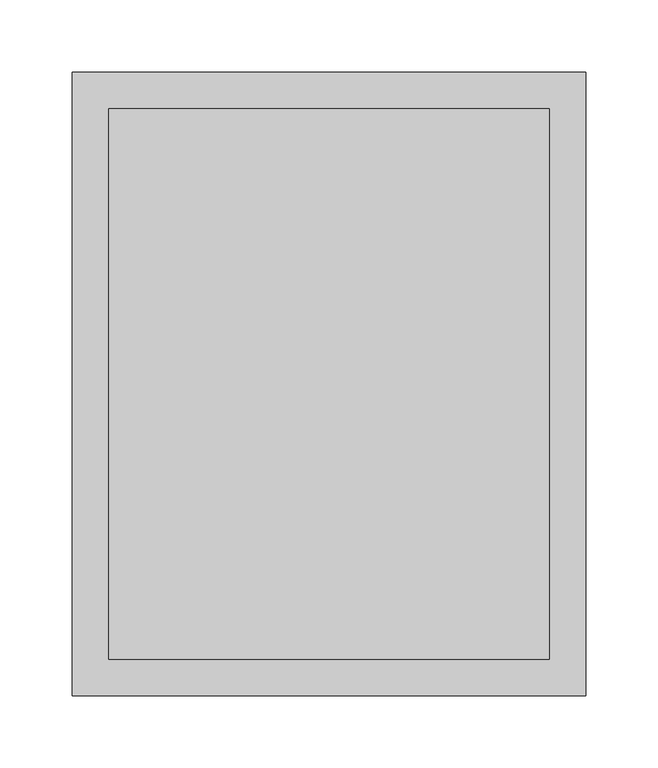
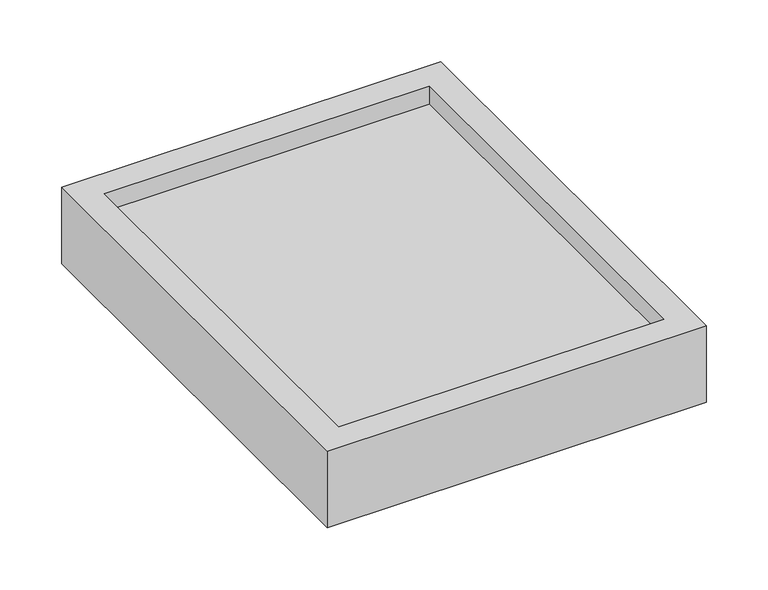
"""IFC4 building model written with IfcOpenShell, lengths in millimetres: proxy geometry."""

import ifcopenshell
import ifcopenshell.guid

model = None  # the IFC model being written
_history = None  # IfcOwnerHistory: only IFC2X3 demands one
_inside = {}  # id of a spatial element -> (the spatial element, [elements in it])
_under = {}  # id of a project, library or spatial element -> (it, [spatial elements below it])
_declared = {}  # id of a project -> (the project, [libraries it declares])
_typed = {}  # id of a type object -> (the type object, [elements of that type])
_made_of = {}  # id of a material, layer set ... -> (it, [elements and type objects made of it])


def new_model(schema):
    """Start an empty IFC model of exactly this schema.

    Asked for "IFC4X3", IfcOpenShell would pick the latest addendum, in which some entities
    have other attributes; the version numbers below select the first issue.
    IFC2X3 requires an IfcOwnerHistory on every rooted entity: one is made here for all.
    """
    global model, _history
    if schema == "IFC4X3":
        model = ifcopenshell.file(schema_version=(4, 3, 0, 0))
    else:
        model = ifcopenshell.file(schema=schema)
    _inside.clear()
    _under.clear()
    _declared.clear()
    _typed.clear()
    _made_of.clear()
    _history = None
    if model.schema == "IFC2X3":
        org = make("IfcOrganization", Name="unknown")
        user = make(
            "IfcPersonAndOrganization",
            ThePerson=make("IfcPerson", FamilyName="unknown"),
            TheOrganization=org,
        )
        app = make(
            "IfcApplication",
            ApplicationDeveloper=org,
            Version="unknown",
            ApplicationFullName="unknown",
            ApplicationIdentifier="unknown",
        )
        _history = make(
            "IfcOwnerHistory",
            OwningUser=user,
            OwningApplication=app,
            ChangeAction="ADDED",
            CreationDate=0,
        )
    return model


def make(cls, **values):
    """One entity of the class cls with the attributes given. An attribute that is None is left unset."""
    return model.create_entity(
        cls, **{name: value for name, value in values.items() if value is not None}
    )


def rooted(cls, **values):
    """An entity with a GlobalId (a new one), such as an element, a storey or a relation."""
    return make(cls, GlobalId=ifcopenshell.guid.new(), OwnerHistory=_history, **values)


def si_unit(unit_type, name, prefix=None):
    """IfcSIUnit, for example si_unit("LENGTHUNIT", "METRE", prefix="MILLI")."""
    return make("IfcSIUnit", UnitType=unit_type, Prefix=prefix, Name=name)


def assignment(units):
    """IfcUnitAssignment: the units of a project."""
    return None if units is None else make("IfcUnitAssignment", Units=units)


def point(xyz):
    """IfcCartesianPoint."""
    return None if xyz is None else make("IfcCartesianPoint", Coordinates=xyz)


def direction(xyz):
    """IfcDirection."""
    return None if xyz is None else make("IfcDirection", DirectionRatios=xyz)


def frame(location, z_axis=None, x_axis=None):
    """IfcAxis2Placement3D, a coordinate frame: its origin and axes. An axis left out is left unset."""
    return make(
        "IfcAxis2Placement3D",
        Location=point(location),
        Axis=direction(z_axis),
        RefDirection=direction(x_axis),
    )


def origin():
    """The frame at (0, 0, 0) with its axes left unset."""
    return frame((0.0, 0.0, 0.0))


def place(relative_to, where):
    """IfcLocalPlacement: puts the frame where relative to a parent placement (None: the world)."""
    return make(
        "IfcLocalPlacement", PlacementRelTo=relative_to, RelativePlacement=where
    )


def context(
    kind, dimensions, precision=None, world=None, true_north=None, identifier=None
):
    """IfcGeometricRepresentationContext, for example the 3D "Model" context."""
    return make(
        "IfcGeometricRepresentationContext",
        ContextIdentifier=identifier,
        ContextType=kind,
        CoordinateSpaceDimension=dimensions,
        Precision=precision,
        WorldCoordinateSystem=world,
        TrueNorth=true_north,
    )


def project(units=None, contexts=None):
    """IfcProject with its units and contexts."""
    return rooted(
        "IfcProject",
        Name="project",
        RepresentationContexts=contexts,
        UnitsInContext=assignment(units),
    )


def spatial(cls, under=None, at=None, **own):
    """A site, building, storey or space (cls), placed at a placement, below another one or the project."""
    s = rooted(cls, ObjectPlacement=at, **own)
    if under is not None:
        _under.setdefault(under.id(), (under, []))[1].append(s)
    return s


def faces_of(points, faces, orient=None, outer=None):
    """IfcFace entities. A face is a list of loops; a loop is a list of indices into points, from 0.

    orient and outer hold one flag for each loop. By default every Orientation is true, the
    first loop of a face is its IfcFaceOuterBound and the others are IfcFaceBound.
    """
    made = []
    for i, loops in enumerate(faces):
        bounds = []
        for j, loop in enumerate(loops):
            is_outer = j == 0 if outer is None else outer[i][j]
            bounds.append(
                make(
                    "IfcFaceOuterBound" if is_outer else "IfcFaceBound",
                    Bound=make("IfcPolyLoop", Polygon=[points[k] for k in loop]),
                    Orientation=True if orient is None else orient[i][j],
                )
            )
        made.append(make("IfcFace", Bounds=bounds))
    return made


def faceted_brep(points, faces, orient=None, outer=None, voids=None):
    """IfcFacetedBrep: a solid bounded by flat faces; with voids (closed shells), ...WithVoids."""
    shared = [point(p) for p in points]
    hull = make("IfcClosedShell", CfsFaces=faces_of(shared, faces, orient, outer))
    if voids is None:
        return make("IfcFacetedBrep", Outer=hull)
    return make(
        "IfcFacetedBrepWithVoids",
        Outer=hull,
        Voids=[
            make(cls, CfsFaces=faces_of(shared, fs, o, b)) for cls, fs, o, b in voids
        ],
    )


def shape(context_of_items, identifier, shape_type, items):
    """IfcShapeRepresentation: the items that make up one representation, for example the "Body"."""
    return make(
        "IfcShapeRepresentation",
        ContextOfItems=context_of_items,
        RepresentationIdentifier=identifier,
        RepresentationType=shape_type,
        Items=items,
    )


def source(mapping_origin, context_of_items, identifier, shape_type, items):
    """IfcRepresentationMap: a shape defined once, which mapped items show again and again."""
    return make(
        "IfcRepresentationMap",
        MappingOrigin=mapping_origin,
        MappedRepresentation=shape(context_of_items, identifier, shape_type, items),
    )


def transform(
    local_origin,
    x_axis=None,
    y_axis=None,
    z_axis=None,
    scale=None,
    scale2=None,
    scale3=None,
    uniform=True,
):
    """IfcCartesianTransformationOperator3D, or its non-uniform kind. x_axis, y_axis, z_axis: its Axis1, 2, 3."""
    if uniform:
        return make(
            "IfcCartesianTransformationOperator3D",
            Axis1=direction(x_axis),
            Axis2=direction(y_axis),
            LocalOrigin=point(local_origin),
            Scale=scale,
            Axis3=direction(z_axis),
        )
    return make(
        "IfcCartesianTransformationOperator3DnonUniform",
        Axis1=direction(x_axis),
        Axis2=direction(y_axis),
        LocalOrigin=point(local_origin),
        Scale=scale,
        Axis3=direction(z_axis),
        Scale2=scale2,
        Scale3=scale3,
    )


def mapped(mapping_source, mapping_target):
    """IfcMappedItem: shows the shape of a source again, moved by a transform."""
    return make(
        "IfcMappedItem", MappingSource=mapping_source, MappingTarget=mapping_target
    )


def made_of(thing, what):
    """Note that an element or type object is made of a material, layer set ...; save() writes the relation."""
    if what is not None:
        _made_of.setdefault(what.id(), (what, []))[1].append(thing)
    return thing


def element(
    cls,
    number,
    at=None,
    inside=None,
    cuts=None,
    type_object=None,
    material=None,
    context=None,
    identifier="Body",
    shape_type=None,
    held_by="IfcProductDefinitionShape",
    body=None,
    shapes=None,
    **own,
):
    """One element of the class cls, such as IfcWall. Its Tag is "e" and its number.

    at: its placement. inside: the storey or other place that contains it. cuts: it is an
    opening in that element (IfcRelVoidsElement). A single representation is given by context,
    identifier, shape_type and body (its items); several are given by shapes. held_by: the class
    of the entity that holds the representations. save() writes the other relations.
    """
    e = rooted(cls, Tag="e%d" % number, ObjectPlacement=at, **own)
    if body is not None:
        shapes = [shape(context, identifier, shape_type, body)]
    if shapes is not None:
        e.Representation = make(held_by, Representations=shapes)
    if inside is not None:
        _inside.setdefault(inside.id(), (inside, []))[1].append(e)
    if cuts is not None:
        rooted(
            "IfcRelVoidsElement", RelatingBuildingElement=cuts, RelatedOpeningElement=e
        )
    if type_object is not None:
        _typed.setdefault(type_object.id(), (type_object, []))[1].append(e)
    return made_of(e, material)


def aggregate(whole, parts):
    """IfcRelAggregates: a whole, such as a stair, and the parts it consists of."""
    return rooted("IfcRelAggregates", RelatingObject=whole, RelatedObjects=parts)


def save(model, path):
    """Write the relations noted so far, then the file.

    IfcRelAggregates (storeys below a building ...), IfcRelContainedInSpatialStructure (elements
    in a storey), IfcRelDefinesByType, IfcRelAssociatesMaterial and IfcRelDeclares: one each for
    every whole, place, type object, material and project.
    """
    for whole, parts in _under.values():
        aggregate(whole, parts)
    for where, things in _inside.values():
        rooted(
            "IfcRelContainedInSpatialStructure",
            RelatedElements=things,
            RelatingStructure=where,
        )
    for kind, things in _typed.values():
        rooted("IfcRelDefinesByType", RelatedObjects=things, RelatingType=kind)
    for what, things in _made_of.values():
        rooted("IfcRelAssociatesMaterial", RelatedObjects=things, RelatingMaterial=what)
    for by, libraries in _declared.values():
        rooted("IfcRelDeclares", RelatingContext=by, RelatedDefinitions=libraries)
    model.write(path)


def specialty_equipment_a9c277fe(model_context):
    return source(origin(), model_context, "Body", "Brep", [
        faceted_brep([(152.4, -25.4, 58.0404529), (-152.4, -25.4, 58.0404529), (-152.4, -406.4, 58.0404529), (152.4, -406.4, 58.0404529), (152.4, -25.4, 76.2), (-152.4, -25.4, 76.2), (-152.4, -406.4, 76.2), (152.4, -406.4, 76.2), (177.8, 0.0, 76.2), (-177.8, 0.0, 76.2), (-177.8, -431.8, 76.2), (177.8, -431.8, 76.2), (177.8, 0.0, 0.0), (177.8, -431.8, 0.0), (-177.8, -431.8, 0.0), (-177.8, 0.0, 0.0)], [[[0, 1, 2, 3]], [[1, 0, 4, 5]], [[2, 1, 5, 6]], [[3, 2, 6, 7]], [[0, 3, 7, 4]], [[8, 9, 10, 11], [5, 4, 7, 6]], [[12, 13, 14, 15]], [[9, 8, 12, 15]], [[10, 9, 15, 14]], [[11, 10, 14, 13]], [[8, 11, 13, 12]]]),
        faceted_brep([(177.8, 0.0, 76.2), (-177.8, 0.0, 76.2), (-177.8, -431.8, 76.2), (177.8, -431.8, 76.2), (-152.4, -25.4, 76.2), (152.4, -25.4, 76.2), (152.4, -406.4, 76.2), (-152.4, -406.4, 76.2), (177.8, 0.0, 0.0), (177.8, -431.8, 0.0), (-177.8, -431.8, 0.0), (-177.8, 0.0, 0.0), (152.4, -25.4, 58.0404529), (-152.4, -25.4, 58.0404529), (-152.4, -406.4, 58.0404529), (152.4, -406.4, 58.0404529)], [[[0, 1, 2, 3], [4, 5, 6, 7]], [[8, 9, 10, 11]], [[1, 0, 8, 11]], [[2, 1, 11, 10]], [[3, 2, 10, 9]], [[0, 3, 9, 8]], [[12, 13, 14, 15]], [[13, 12, 5, 4]], [[14, 13, 4, 7]], [[15, 14, 7, 6]], [[12, 15, 6, 5]]]),
    ])


if __name__ == "__main__":
    model = new_model("IFC4")
    model_context = context("Model", 3, world=origin())
    ifc_project = project(units=[si_unit("LENGTHUNIT", "METRE", prefix="MILLI")], contexts=[model_context])
    site = spatial("IfcSite", under=ifc_project)
    building = spatial("IfcBuilding", under=site)
    placement = place(None, origin())
    specialty_equipment_shape = specialty_equipment_a9c277fe(model_context)
    element("IfcBuildingElementProxy", 1, Name="Specialty Equipment", at=placement, inside=building, context=model_context, shape_type="MappedRepresentation", body=[
        mapped(specialty_equipment_shape, transform((0.0, 0.0, 0.0), x_axis=(1.0, 0.0, 0.0), y_axis=(0.0, 1.0, 0.0), z_axis=(0.0, 0.0, 1.0))),
    ])
    save(model, "model.ifc")
